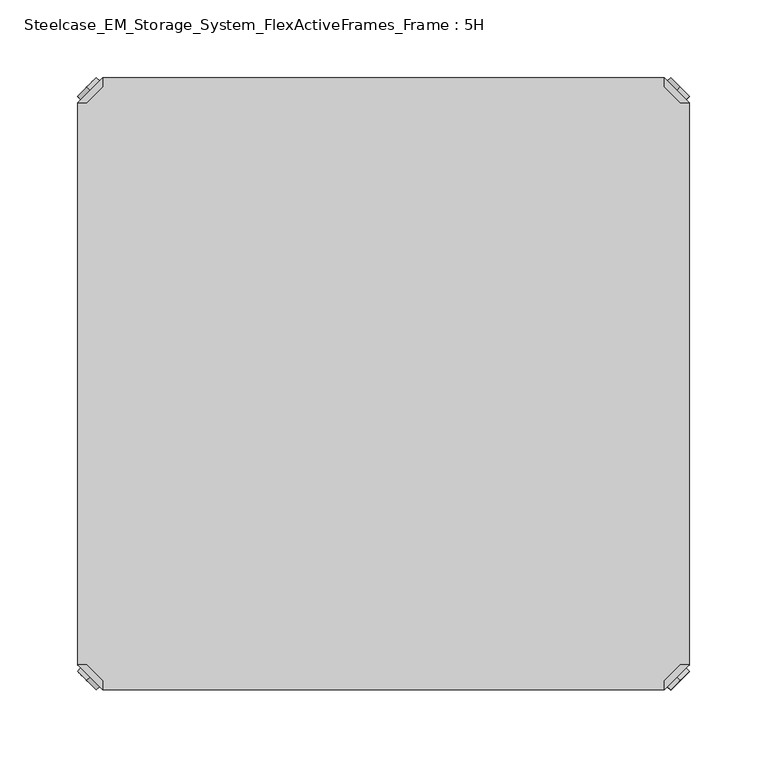
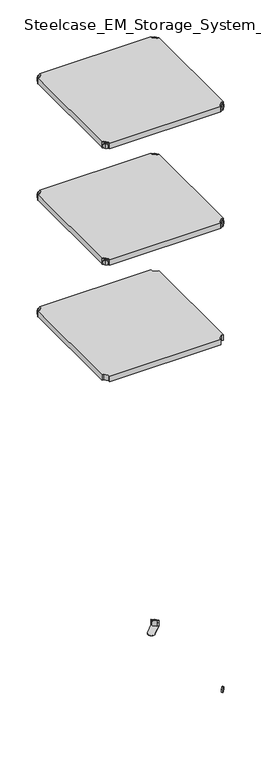
"""IFC4 building model written with IfcOpenShell, lengths in millimetres: furniture geometry, Steelcase_EM_Storage_System_FlexActiveFrames_Frame : 5H."""

from ifc_helpers import new_model, si_unit, frame, origin, place, context, project, spatial, polyline, circle_curve, outline, extrude, source, transform, mapped, element, save
from ifc_brep_helpers import plane_surface, cylinder_surface, advanced_brep


def steelcase_em_storage_system_flexactiveframes_frame_5h_2bd982bd(model_context):
    return source(origin(), model_context, "Body", "SolidModel", [
        advanced_brep(
        [(10.9601551, -10.9601551, 1298.5), (10.9601551, -10.9601551, 1315.5), (10.9601551, -10.9601551, 1307.0), (8.8388348, -8.8388348, 1298.5), (8.8388348, -8.8388348, 1315.5), (8.8388348, -8.8388348, 1307.0)],
        [
            (0, 1, circle_curve(frame((10.9601551, -10.9601551, 1307.0), z_axis=(0.7071067811865464, -0.7071067811865487, 0.0), x_axis=(0.0, 0.0, 1.0)), 8.5)),
            (1, 2),
            (2, 0),
            (1, 0, circle_curve(frame((10.9601551, -10.9601551, 1307.0), z_axis=(0.7071067811865464, -0.7071067811865487, 0.0), x_axis=(0.0, 0.0, 1.0)), 8.5)),
            (3, 4, circle_curve(frame((8.8388348, -8.8388348, 1307.0), z_axis=(0.7071067811865464, -0.7071067811865487, 0.0), x_axis=(0.0, 0.0, 1.0)), 8.5)),
            (4, 1),
            (0, 3),
            (4, 3, circle_curve(frame((8.8388348, -8.8388348, 1307.0), z_axis=(0.7071067811865464, -0.7071067811865487, 0.0), x_axis=(0.0, 0.0, 1.0)), 8.5)),
            (5, 4),
            (3, 5),
        ],
        [
            plane_surface(frame((10.9601551, -10.9601551, 1307.0), z_axis=(0.707106781186546, -0.7071067811865491, 0.0), x_axis=(0.0, 0.0, 1.0))),
            cylinder_surface(frame((8.8388348, -8.8388348, 1307.0), z_axis=(-0.7071067811865464, 0.7071067811865487, 0.0), x_axis=(0.0, 0.0, 1.0)), 8.5),
            plane_surface(frame((8.8388348, -8.8388348, 1307.0), z_axis=(-0.707106781186546, 0.7071067811865491, 0.0), x_axis=(0.0, 0.0, 1.0))),
        ],
        [
            (0, [[1, 2, 3]]),
            (0, [[4, -3, -2]]),
            (1, [[5, 6, -1, 7]]),
            (1, [[8, -7, -4, -6]]),
            (2, [[9, -5, 10]]),
            (2, [[-10, -8, -9]]),
        ],
    ),
        advanced_brep(
        [(18.9203102, -3.0, 1317.0), (3.0, -18.9203102, 1317.0), (8.6568542, -18.9203102, 1317.0), (18.9203102, -8.6568542, 1317.0), (18.9203102, -3.0, 1298.0), (18.9203102, -3.0, 1297.0), (3.0, -18.9203102, 1297.0), (3.0, -18.9203102, 1298.0), (8.6568542, -18.9203102, 1298.0), (18.9203102, -8.6568542, 1298.0), (31.8093975, -47.7297077, 1298.0), (47.7297077, -31.8093975, 1298.0), (47.7297077, -31.8093975, 1297.0), (31.8093975, -47.7297077, 1297.0)],
        [
            (0, 1),
            (1, 2),
            (2, 3),
            (3, 0),
            (0, 4),
            (4, 5),
            (5, 6),
            (6, 7),
            (7, 1),
            (2, 8),
            (8, 9),
            (9, 3),
            (9, 4),
            (7, 8),
            (7, 10),
            (10, 11, circle_curve(frame((39.7695526, -39.7695526, 1298.0), z_axis=(0.0, 0.0, 1.0), x_axis=(1.0, 0.0, 0.0)), 11.2573593)),
            (11, 4),
            (5, 12),
            (12, 13, circle_curve(frame((39.7695526, -39.7695526, 1297.0), z_axis=(0.0, 0.0, -1.0), x_axis=(1.0, 0.0, 0.0)), 11.2573593)),
            (13, 6),
            (13, 10),
            (12, 11),
        ],
        [
            plane_surface(frame((-38.8756299, -60.7959401, 1317.0), z_axis=(0.0, 0.0, 1.0000000000000002), x_axis=(-0.7071067811865557, -0.7071067811865395, 0.0))),
            plane_surface(frame((18.9203102, -3.0, 1317.0), z_axis=(-0.7071067811865395, 0.7071067811865557, 0.0), x_axis=(0.0, 0.0, -1.0))),
            plane_surface(frame((8.6568542, -18.9203102, 1317.0), z_axis=(0.7071067811865481, -0.7071067811865469, 0.0), x_axis=(0.0, 0.0, -1.0))),
            plane_surface(frame((18.9203102, -8.6568542, 1317.0), z_axis=(1.0, 0.0, 0.0), x_axis=(0.0, 0.0, -1.0))),
            plane_surface(frame((3.0, -18.9203102, 1317.0), z_axis=(0.0, -1.0, 0.0), x_axis=(0.0, 0.0, -1.0))),
            plane_surface(frame((3.0, -18.9203102, 1298.0), z_axis=(0.0, 0.0, 1.0), x_axis=(-0.7071067811865485, -0.7071067811865466, 0.0))),
            plane_surface(frame((3.0, -18.9203102, 1297.0), z_axis=(0.0, 0.0, -1.0), x_axis=(0.7071067811865485, 0.7071067811865466, 0.0))),
            plane_surface(frame((3.0, -18.9203102, 1298.0), z_axis=(-0.7071067811865491, -0.707106781186546, 0.0), x_axis=(0.0, 0.0, -1.0))),
            cylinder_surface(frame((39.7695526, -39.7695526, 1297.0), z_axis=(0.0, 0.0, 1.0), x_axis=(1.0, 0.0, 0.0)), 11.2573593),
            plane_surface(frame((47.7297077, -31.8093975, 1298.0), z_axis=(0.707106781186548, 0.7071067811865471, 0.0), x_axis=(0.0, 0.0, -1.0))),
        ],
        [
            (0, [[1, 2, 3, 4]]),
            (1, [[-1, 5, 6, 7, 8, 9]]),
            (2, [[-3, 10, 11, 12]]),
            (3, [[-4, -12, 13, -5]]),
            (4, [[-2, -9, 14, -10]]),
            (5, [[15, 16, 17, -13, -11, -14]]),
            (6, [[18, 19, 20, -7]]),
            (7, [[-15, -8, -20, 21]]),
            (8, [[-16, -21, -19, 22]]),
            (9, [[-17, -22, -18, -6]]),
        ],
    ),
        extrude(outline(polyline([(381.0796898, -3.0), (381.0796898, -8.6568542), (391.3431458, -18.9203102), (397.0, -18.9203102), (397.0, -381.0796898), (391.3431458, -381.0796898), (381.0796898, -391.3431458), (381.0796898, -397.0), (18.9203102, -397.0), (18.9203102, -391.3431458), (8.6568542, -381.0796898), (3.0, -381.0796898), (3.0, -18.9203102), (8.6568542, -18.9203102), (18.9203102, -8.6568542), (18.9203102, -3.0), (381.0796898, -3.0)])), frame((0.0, 0.0, 1298.0), z_axis=(0.0, 0.0, 1.0), x_axis=(1.0, 0.0, 0.0)), (0.0, 0.0, 1.0), 19.0),
        advanced_brep(
        [(389.0398449, -10.9601551, 1698.5), (389.0398449, -10.9601551, 1707.0), (389.0398449, -10.9601551, 1715.5), (391.1611652, -8.8388348, 1698.5), (391.1611652, -8.8388348, 1715.5), (391.1611652, -8.8388348, 1707.0)],
        [
            (0, 1),
            (1, 2),
            (2, 0, circle_curve(frame((389.0398449, -10.9601551, 1707.0), z_axis=(-0.7071067811865556, -0.7071067811865395, 0.0), x_axis=(0.0, 0.0, 1.0)), 8.5)),
            (0, 2, circle_curve(frame((389.0398449, -10.9601551, 1707.0), z_axis=(-0.7071067811865556, -0.7071067811865395, 0.0), x_axis=(0.0, 0.0, 1.0)), 8.5)),
            (3, 0),
            (2, 4),
            (4, 3, circle_curve(frame((391.1611652, -8.8388348, 1707.0), z_axis=(-0.7071067811865556, -0.7071067811865395, 0.0), x_axis=(0.0, 0.0, 1.0)), 8.5)),
            (3, 4, circle_curve(frame((391.1611652, -8.8388348, 1707.0), z_axis=(-0.7071067811865556, -0.7071067811865395, 0.0), x_axis=(0.0, 0.0, 1.0)), 8.5)),
            (5, 3),
            (4, 5),
        ],
        [
            plane_surface(frame((389.0398449, -10.9601551, 1707.0), z_axis=(-0.7071067811865552, -0.7071067811865399, 0.0), x_axis=(0.0, 0.0, 1.0))),
            cylinder_surface(frame((391.1611652, -8.8388348, 1707.0), z_axis=(0.7071067811865556, 0.7071067811865395, 0.0), x_axis=(0.0, 0.0, 1.0)), 8.5),
            plane_surface(frame((391.1611652, -8.8388348, 1707.0), z_axis=(0.7071067811865552, 0.7071067811865399, 0.0), x_axis=(0.0, 0.0, 1.0))),
        ],
        [
            (0, [[1, 2, 3]]),
            (0, [[-2, -1, 4]]),
            (1, [[5, -3, 6, 7]]),
            (1, [[-6, -4, -5, 8]]),
            (2, [[9, -7, 10]]),
            (2, [[-10, -8, -9]]),
        ],
    ),
        advanced_brep(
        [(381.0796898, -3.0, 1717.0), (381.0796898, -8.6568542, 1717.0), (391.3431458, -18.9203102, 1717.0), (397.0, -18.9203102, 1717.0), (397.0, -18.9203102, 1698.0), (397.0, -18.9203102, 1697.0), (381.0796898, -3.0, 1697.0), (381.0796898, -3.0, 1698.0), (381.0796898, -8.6568542, 1698.0), (391.3431458, -18.9203102, 1698.0), (352.2702923, -31.8093975, 1698.0), (368.1906025, -47.7297077, 1698.0), (368.1906025, -47.7297077, 1697.0), (352.2702923, -31.8093975, 1697.0)],
        [
            (0, 1),
            (1, 2),
            (2, 3),
            (3, 0),
            (3, 4),
            (4, 5),
            (5, 6),
            (6, 7),
            (7, 0),
            (1, 8),
            (8, 9),
            (9, 2),
            (7, 8),
            (9, 4),
            (7, 10),
            (10, 11, circle_curve(frame((360.2304474, -39.7695526, 1698.0), z_axis=(0.0, 0.0, 1.0), x_axis=(-1.0, 0.0, 0.0)), 11.2573593)),
            (11, 4),
            (5, 12),
            (12, 13, circle_curve(frame((360.2304474, -39.7695526, 1697.0), z_axis=(0.0, 0.0, -1.0), x_axis=(-1.0, 0.0, 0.0)), 11.2573593)),
            (13, 6),
            (11, 12),
            (10, 13),
        ],
        [
            plane_surface(frame((438.8756299, -60.7959401, 1717.0), z_axis=(0.0, 0.0, 1.0000000000000002), x_axis=(0.7071067811865465, -0.7071067811865487, 0.0))),
            plane_surface(frame((381.0796898, -3.0, 1717.0), z_axis=(0.7071067811865487, 0.7071067811865465, 0.0), x_axis=(0.0, 0.0, -1.0))),
            plane_surface(frame((391.3431458, -18.9203102, 1717.0), z_axis=(-0.7071067811865573, -0.7071067811865377, 0.0), x_axis=(0.0, 0.0, -1.0))),
            plane_surface(frame((381.0796898, -8.6568542, 1717.0), z_axis=(-1.0, 0.0, 0.0), x_axis=(0.0, 0.0, -1.0))),
            plane_surface(frame((397.0, -18.9203102, 1717.0), z_axis=(0.0, -1.0, 0.0), x_axis=(0.0, 0.0, -1.0))),
            plane_surface(frame((397.0, -18.9203102, 1698.0), z_axis=(0.0, 0.0, 1.0), x_axis=(0.7071067811865392, -0.7071067811865558, 0.0))),
            plane_surface(frame((397.0, -18.9203102, 1697.0), z_axis=(0.0, 0.0, -1.0), x_axis=(-0.7071067811865392, 0.7071067811865558, 0.0))),
            plane_surface(frame((397.0, -18.9203102, 1698.0), z_axis=(0.7071067811865399, -0.7071067811865552, 0.0), x_axis=(0.0, 0.0, -1.0))),
            cylinder_surface(frame((360.2304474, -39.7695526, 1697.0), z_axis=(0.0, 0.0, 1.0), x_axis=(-1.0, 0.0, 0.0)), 11.2573593),
            plane_surface(frame((352.2702923, -31.8093975, 1698.0), z_axis=(-0.7071067811865388, 0.7071067811865563, 0.0), x_axis=(0.0, 0.0, -1.0))),
        ],
        [
            (0, [[1, 2, 3, 4]]),
            (1, [[5, 6, 7, 8, 9, -4]]),
            (2, [[10, 11, 12, -2]]),
            (3, [[-9, 13, -10, -1]]),
            (4, [[-12, 14, -5, -3]]),
            (5, [[-14, -11, -13, 15, 16, 17]]),
            (6, [[-7, 18, 19, 20]]),
            (7, [[21, -18, -6, -17]]),
            (8, [[22, -19, -21, -16]]),
            (9, [[-8, -20, -22, -15]]),
        ],
    ),
        advanced_brep(
        [(389.0398449, -389.0398449, 1698.5), (389.0398449, -389.0398449, 1715.5), (389.0398449, -389.0398449, 1707.0), (391.1611652, -391.1611652, 1698.5), (391.1611652, -391.1611652, 1715.5), (391.1611652, -391.1611652, 1707.0)],
        [
            (0, 1, circle_curve(frame((389.0398449, -389.0398449, 1707.0), z_axis=(-0.7071067811865509, 0.7071067811865441, 0.0), x_axis=(0.0, 0.0, 1.0)), 8.5)),
            (1, 2),
            (2, 0),
            (1, 0, circle_curve(frame((389.0398449, -389.0398449, 1707.0), z_axis=(-0.7071067811865509, 0.7071067811865441, 0.0), x_axis=(0.0, 0.0, 1.0)), 8.5)),
            (3, 4, circle_curve(frame((391.1611652, -391.1611652, 1707.0), z_axis=(-0.7071067811865509, 0.7071067811865441, 0.0), x_axis=(0.0, 0.0, 1.0)), 8.5)),
            (4, 1),
            (0, 3),
            (4, 3, circle_curve(frame((391.1611652, -391.1611652, 1707.0), z_axis=(-0.7071067811865509, 0.7071067811865441, 0.0), x_axis=(0.0, 0.0, 1.0)), 8.5)),
            (5, 4),
            (3, 5),
        ],
        [
            plane_surface(frame((389.0398449, -389.0398449, 1707.0), z_axis=(-0.7071067811865506, 0.7071067811865446, 0.0), x_axis=(0.0, 0.0, 1.0))),
            cylinder_surface(frame((391.1611652, -391.1611652, 1707.0), z_axis=(0.7071067811865509, -0.7071067811865441, 0.0), x_axis=(0.0, 0.0, 1.0)), 8.5),
            plane_surface(frame((391.1611652, -391.1611652, 1707.0), z_axis=(0.7071067811865506, -0.7071067811865446, 0.0), x_axis=(0.0, 0.0, 1.0))),
        ],
        [
            (0, [[1, 2, 3]]),
            (0, [[4, -3, -2]]),
            (1, [[5, 6, -1, 7]]),
            (1, [[8, -7, -4, -6]]),
            (2, [[9, -5, 10]]),
            (2, [[-10, -8, -9]]),
        ],
    ),
        advanced_brep(
        [(381.0796898, -397.0, 1717.0), (397.0, -381.0796898, 1717.0), (391.3431458, -381.0796898, 1717.0), (381.0796898, -391.3431458, 1717.0), (381.0796898, -397.0, 1698.0), (381.0796898, -397.0, 1697.0), (397.0, -381.0796898, 1697.0), (397.0, -381.0796898, 1698.0), (391.3431458, -381.0796898, 1698.0), (381.0796898, -391.3431458, 1698.0), (368.1906025, -352.2702923, 1698.0), (352.2702923, -368.1906025, 1698.0), (352.2702923, -368.1906025, 1697.0), (368.1906025, -352.2702923, 1697.0)],
        [
            (0, 1),
            (1, 2),
            (2, 3),
            (3, 0),
            (0, 4),
            (4, 5),
            (5, 6),
            (6, 7),
            (7, 1),
            (2, 8),
            (8, 9),
            (9, 3),
            (9, 4),
            (7, 8),
            (7, 10),
            (10, 11, circle_curve(frame((360.2304474, -360.2304474, 1698.0), z_axis=(0.0, 0.0, 1.0), x_axis=(-1.0, 0.0, 0.0)), 11.2573593)),
            (11, 4),
            (5, 12),
            (12, 13, circle_curve(frame((360.2304474, -360.2304474, 1697.0), z_axis=(0.0, 0.0, -1.0), x_axis=(-1.0, 0.0, 0.0)), 11.2573593)),
            (13, 6),
            (13, 10),
            (12, 11),
        ],
        [
            plane_surface(frame((438.8756299, -339.2040599, 1717.0), z_axis=(0.0, 0.0, 1.0000000000000002), x_axis=(0.7071067811865511, 0.707106781186544, 0.0))),
            plane_surface(frame((381.0796898, -397.0, 1717.0), z_axis=(0.707106781186544, -0.7071067811865511, 0.0), x_axis=(0.0, 0.0, -1.0))),
            plane_surface(frame((391.3431458, -381.0796898, 1717.0), z_axis=(-0.7071067811865527, 0.7071067811865424, 0.0), x_axis=(0.0, 0.0, -1.0))),
            plane_surface(frame((381.0796898, -391.3431458, 1717.0), z_axis=(-1.0, 0.0, 0.0), x_axis=(0.0, 0.0, -1.0))),
            plane_surface(frame((397.0, -381.0796898, 1717.0), z_axis=(0.0, 1.0, 0.0), x_axis=(0.0, 0.0, -1.0))),
            plane_surface(frame((397.0, -381.0796898, 1698.0), z_axis=(0.0, 0.0, 1.0), x_axis=(0.7071067811865439, 0.7071067811865511, 0.0))),
            plane_surface(frame((397.0, -381.0796898, 1697.0), z_axis=(0.0, 0.0, -1.0), x_axis=(-0.7071067811865439, -0.7071067811865511, 0.0))),
            plane_surface(frame((397.0, -381.0796898, 1698.0), z_axis=(0.7071067811865446, 0.7071067811865506, 0.0), x_axis=(0.0, 0.0, -1.0))),
            cylinder_surface(frame((360.2304474, -360.2304474, 1697.0), z_axis=(0.0, 0.0, 1.0), x_axis=(-1.0, 0.0, 0.0)), 11.2573593),
            plane_surface(frame((352.2702923, -368.1906025, 1698.0), z_axis=(-0.7071067811865435, -0.7071067811865517, 0.0), x_axis=(0.0, 0.0, -1.0))),
        ],
        [
            (0, [[1, 2, 3, 4]]),
            (1, [[-1, 5, 6, 7, 8, 9]]),
            (2, [[-3, 10, 11, 12]]),
            (3, [[-4, -12, 13, -5]]),
            (4, [[-2, -9, 14, -10]]),
            (5, [[15, 16, 17, -13, -11, -14]]),
            (6, [[18, 19, 20, -7]]),
            (7, [[-15, -8, -20, 21]]),
            (8, [[-16, -21, -19, 22]]),
            (9, [[-17, -22, -18, -6]]),
        ],
    ),
        advanced_brep(
        [(10.9601551, -389.0398449, 1698.5), (10.9601551, -389.0398449, 1707.0), (10.9601551, -389.0398449, 1715.5), (8.8388348, -391.1611652, 1698.5), (8.8388348, -391.1611652, 1715.5), (8.8388348, -391.1611652, 1707.0)],
        [
            (0, 1),
            (1, 2),
            (2, 0, circle_curve(frame((10.9601551, -389.0398449, 1707.0), z_axis=(0.7071067811865509, 0.7071067811865441, 0.0), x_axis=(0.0, 0.0, 1.0)), 8.5)),
            (0, 2, circle_curve(frame((10.9601551, -389.0398449, 1707.0), z_axis=(0.7071067811865509, 0.7071067811865441, 0.0), x_axis=(0.0, 0.0, 1.0)), 8.5)),
            (3, 0),
            (2, 4),
            (4, 3, circle_curve(frame((8.8388348, -391.1611652, 1707.0), z_axis=(0.7071067811865509, 0.7071067811865441, 0.0), x_axis=(0.0, 0.0, 1.0)), 8.5)),
            (3, 4, circle_curve(frame((8.8388348, -391.1611652, 1707.0), z_axis=(0.7071067811865509, 0.7071067811865441, 0.0), x_axis=(0.0, 0.0, 1.0)), 8.5)),
            (5, 3),
            (4, 5),
        ],
        [
            plane_surface(frame((10.9601551, -389.0398449, 1707.0), z_axis=(0.7071067811865506, 0.7071067811865446, 0.0), x_axis=(0.0, 0.0, 1.0))),
            cylinder_surface(frame((8.8388348, -391.1611652, 1707.0), z_axis=(-0.7071067811865509, -0.7071067811865441, 0.0), x_axis=(0.0, 0.0, 1.0)), 8.5),
            plane_surface(frame((8.8388348, -391.1611652, 1707.0), z_axis=(-0.7071067811865506, -0.7071067811865446, 0.0), x_axis=(0.0, 0.0, 1.0))),
        ],
        [
            (0, [[1, 2, 3]]),
            (0, [[-2, -1, 4]]),
            (1, [[5, -3, 6, 7]]),
            (1, [[-6, -4, -5, 8]]),
            (2, [[9, -7, 10]]),
            (2, [[-10, -8, -9]]),
        ],
    ),
        advanced_brep(
        [(18.9203102, -397.0, 1717.0), (18.9203102, -391.3431458, 1717.0), (8.6568542, -381.0796898, 1717.0), (3.0, -381.0796898, 1717.0), (3.0, -381.0796898, 1698.0), (3.0, -381.0796898, 1697.0), (18.9203102, -397.0, 1697.0), (18.9203102, -397.0, 1698.0), (18.9203102, -391.3431458, 1698.0), (8.6568542, -381.0796898, 1698.0), (47.7297077, -368.1906025, 1698.0), (31.8093975, -352.2702923, 1698.0), (31.8093975, -352.2702923, 1697.0), (47.7297077, -368.1906025, 1697.0)],
        [
            (0, 1),
            (1, 2),
            (2, 3),
            (3, 0),
            (3, 4),
            (4, 5),
            (5, 6),
            (6, 7),
            (7, 0),
            (1, 8),
            (8, 9),
            (9, 2),
            (7, 8),
            (9, 4),
            (7, 10),
            (10, 11, circle_curve(frame((39.7695526, -360.2304474, 1698.0), z_axis=(0.0, 0.0, 1.0), x_axis=(1.0, 0.0, 0.0)), 11.2573593)),
            (11, 4),
            (5, 12),
            (12, 13, circle_curve(frame((39.7695526, -360.2304474, 1697.0), z_axis=(0.0, 0.0, -1.0), x_axis=(1.0, 0.0, 0.0)), 11.2573593)),
            (13, 6),
            (11, 12),
            (10, 13),
        ],
        [
            plane_surface(frame((-38.8756299, -339.2040599, 1717.0), z_axis=(0.0, 0.0, 1.0000000000000002), x_axis=(-0.7071067811865511, 0.707106781186544, 0.0))),
            plane_surface(frame((18.9203102, -397.0, 1717.0), z_axis=(-0.707106781186544, -0.7071067811865511, 0.0), x_axis=(0.0, 0.0, -1.0))),
            plane_surface(frame((8.6568542, -381.0796898, 1717.0), z_axis=(0.7071067811865527, 0.7071067811865424, 0.0), x_axis=(0.0, 0.0, -1.0))),
            plane_surface(frame((18.9203102, -391.3431458, 1717.0), z_axis=(1.0, 0.0, 0.0), x_axis=(0.0, 0.0, -1.0))),
            plane_surface(frame((3.0, -381.0796898, 1717.0), z_axis=(0.0, 1.0, 0.0), x_axis=(0.0, 0.0, -1.0))),
            plane_surface(frame((3.0, -381.0796898, 1698.0), z_axis=(0.0, 0.0, 1.0), x_axis=(-0.7071067811865439, 0.7071067811865511, 0.0))),
            plane_surface(frame((3.0, -381.0796898, 1697.0), z_axis=(0.0, 0.0, -1.0), x_axis=(0.7071067811865439, -0.7071067811865511, 0.0))),
            plane_surface(frame((3.0, -381.0796898, 1698.0), z_axis=(-0.7071067811865446, 0.7071067811865506, 0.0), x_axis=(0.0, 0.0, -1.0))),
            cylinder_surface(frame((39.7695526, -360.2304474, 1697.0), z_axis=(0.0, 0.0, 1.0), x_axis=(1.0, 0.0, 0.0)), 11.2573593),
            plane_surface(frame((47.7297077, -368.1906025, 1698.0), z_axis=(0.7071067811865435, -0.7071067811865517, 0.0), x_axis=(0.0, 0.0, -1.0))),
        ],
        [
            (0, [[1, 2, 3, 4]]),
            (1, [[5, 6, 7, 8, 9, -4]]),
            (2, [[10, 11, 12, -2]]),
            (3, [[-9, 13, -10, -1]]),
            (4, [[-12, 14, -5, -3]]),
            (5, [[-14, -11, -13, 15, 16, 17]]),
            (6, [[-7, 18, 19, 20]]),
            (7, [[21, -18, -6, -17]]),
            (8, [[22, -19, -21, -16]]),
            (9, [[-8, -20, -22, -15]]),
        ],
    ),
        advanced_brep(
        [(10.9601551, -10.9601551, 1698.5), (10.9601551, -10.9601551, 1715.5), (10.9601551, -10.9601551, 1707.0), (8.8388348, -8.8388348, 1698.5), (8.8388348, -8.8388348, 1715.5), (8.8388348, -8.8388348, 1707.0)],
        [
            (0, 1, circle_curve(frame((10.9601551, -10.9601551, 1707.0), z_axis=(0.7071067811865464, -0.7071067811865487, 0.0), x_axis=(0.0, 0.0, 1.0)), 8.5)),
            (1, 2),
            (2, 0),
            (1, 0, circle_curve(frame((10.9601551, -10.9601551, 1707.0), z_axis=(0.7071067811865464, -0.7071067811865487, 0.0), x_axis=(0.0, 0.0, 1.0)), 8.5)),
            (3, 4, circle_curve(frame((8.8388348, -8.8388348, 1707.0), z_axis=(0.7071067811865464, -0.7071067811865487, 0.0), x_axis=(0.0, 0.0, 1.0)), 8.5)),
            (4, 1),
            (0, 3),
            (4, 3, circle_curve(frame((8.8388348, -8.8388348, 1707.0), z_axis=(0.7071067811865464, -0.7071067811865487, 0.0), x_axis=(0.0, 0.0, 1.0)), 8.5)),
            (5, 4),
            (3, 5),
        ],
        [
            plane_surface(frame((10.9601551, -10.9601551, 1707.0), z_axis=(0.707106781186546, -0.7071067811865491, 0.0), x_axis=(0.0, 0.0, 1.0))),
            cylinder_surface(frame((8.8388348, -8.8388348, 1707.0), z_axis=(-0.7071067811865464, 0.7071067811865487, 0.0), x_axis=(0.0, 0.0, 1.0)), 8.5),
            plane_surface(frame((8.8388348, -8.8388348, 1707.0), z_axis=(-0.707106781186546, 0.7071067811865491, 0.0), x_axis=(0.0, 0.0, 1.0))),
        ],
        [
            (0, [[1, 2, 3]]),
            (0, [[4, -3, -2]]),
            (1, [[5, 6, -1, 7]]),
            (1, [[8, -7, -4, -6]]),
            (2, [[9, -5, 10]]),
            (2, [[-10, -8, -9]]),
        ],
    ),
        advanced_brep(
        [(18.9203102, -3.0, 1717.0), (3.0, -18.9203102, 1717.0), (8.6568542, -18.9203102, 1717.0), (18.9203102, -8.6568542, 1717.0), (18.9203102, -3.0, 1698.0), (18.9203102, -3.0, 1697.0), (3.0, -18.9203102, 1697.0), (3.0, -18.9203102, 1698.0), (8.6568542, -18.9203102, 1698.0), (18.9203102, -8.6568542, 1698.0), (31.8093975, -47.7297077, 1698.0), (47.7297077, -31.8093975, 1698.0), (47.7297077, -31.8093975, 1697.0), (31.8093975, -47.7297077, 1697.0)],
        [
            (0, 1),
            (1, 2),
            (2, 3),
            (3, 0),
            (0, 4),
            (4, 5),
            (5, 6),
            (6, 7),
            (7, 1),
            (2, 8),
            (8, 9),
            (9, 3),
            (9, 4),
            (7, 8),
            (7, 10),
            (10, 11, circle_curve(frame((39.7695526, -39.7695526, 1698.0), z_axis=(0.0, 0.0, 1.0), x_axis=(1.0, 0.0, 0.0)), 11.2573593)),
            (11, 4),
            (5, 12),
            (12, 13, circle_curve(frame((39.7695526, -39.7695526, 1697.0), z_axis=(0.0, 0.0, -1.0), x_axis=(1.0, 0.0, 0.0)), 11.2573593)),
            (13, 6),
            (13, 10),
            (12, 11),
        ],
        [
            plane_surface(frame((-38.8756299, -60.7959401, 1717.0), z_axis=(0.0, 0.0, 1.0000000000000002), x_axis=(-0.7071067811865557, -0.7071067811865395, 0.0))),
            plane_surface(frame((18.9203102, -3.0, 1717.0), z_axis=(-0.7071067811865395, 0.7071067811865557, 0.0), x_axis=(0.0, 0.0, -1.0))),
            plane_surface(frame((8.6568542, -18.9203102, 1717.0), z_axis=(0.7071067811865481, -0.7071067811865469, 0.0), x_axis=(0.0, 0.0, -1.0))),
            plane_surface(frame((18.9203102, -8.6568542, 1717.0), z_axis=(1.0, 0.0, 0.0), x_axis=(0.0, 0.0, -1.0))),
            plane_surface(frame((3.0, -18.9203102, 1717.0), z_axis=(0.0, -1.0, 0.0), x_axis=(0.0, 0.0, -1.0))),
            plane_surface(frame((3.0, -18.9203102, 1698.0), z_axis=(0.0, 0.0, 1.0), x_axis=(-0.7071067811865485, -0.7071067811865466, 0.0))),
            plane_surface(frame((3.0, -18.9203102, 1697.0), z_axis=(0.0, 0.0, -1.0), x_axis=(0.7071067811865485, 0.7071067811865466, 0.0))),
            plane_surface(frame((3.0, -18.9203102, 1698.0), z_axis=(-0.7071067811865491, -0.707106781186546, 0.0), x_axis=(0.0, 0.0, -1.0))),
            cylinder_surface(frame((39.7695526, -39.7695526, 1697.0), z_axis=(0.0, 0.0, 1.0), x_axis=(1.0, 0.0, 0.0)), 11.2573593),
            plane_surface(frame((47.7297077, -31.8093975, 1698.0), z_axis=(0.707106781186548, 0.7071067811865471, 0.0), x_axis=(0.0, 0.0, -1.0))),
        ],
        [
            (0, [[1, 2, 3, 4]]),
            (1, [[-1, 5, 6, 7, 8, 9]]),
            (2, [[-3, 10, 11, 12]]),
            (3, [[-4, -12, 13, -5]]),
            (4, [[-2, -9, 14, -10]]),
            (5, [[15, 16, 17, -13, -11, -14]]),
            (6, [[18, 19, 20, -7]]),
            (7, [[-15, -8, -20, 21]]),
            (8, [[-16, -21, -19, 22]]),
            (9, [[-17, -22, -18, -6]]),
        ],
    ),
        extrude(outline(polyline([(381.0796898, -3.0), (381.0796898, -8.6568542), (391.3431458, -18.9203102), (397.0, -18.9203102), (397.0, -381.0796898), (391.3431458, -381.0796898), (381.0796898, -391.3431458), (381.0796898, -397.0), (18.9203102, -397.0), (18.9203102, -391.3431458), (8.6568542, -381.0796898), (3.0, -381.0796898), (3.0, -18.9203102), (8.6568542, -18.9203102), (18.9203102, -8.6568542), (18.9203102, -3.0), (381.0796898, -3.0)])), frame((0.0, 0.0, 1698.0), z_axis=(0.0, 0.0, 1.0), x_axis=(1.0, 0.0, 0.0)), (0.0, 0.0, 1.0), 19.0),
        advanced_brep(
        [(389.0398449, -10.9601551, 2098.5), (389.0398449, -10.9601551, 2107.0), (389.0398449, -10.9601551, 2115.5), (391.1611652, -8.8388348, 2098.5), (391.1611652, -8.8388348, 2115.5), (391.1611652, -8.8388348, 2107.0)],
        [
            (0, 1),
            (1, 2),
            (2, 0, circle_curve(frame((389.0398449, -10.9601551, 2107.0), z_axis=(-0.7071067811865556, -0.7071067811865395, 0.0), x_axis=(0.0, 0.0, 1.0)), 8.5)),
            (0, 2, circle_curve(frame((389.0398449, -10.9601551, 2107.0), z_axis=(-0.7071067811865556, -0.7071067811865395, 0.0), x_axis=(0.0, 0.0, 1.0)), 8.5)),
            (3, 0),
            (2, 4),
            (4, 3, circle_curve(frame((391.1611652, -8.8388348, 2107.0), z_axis=(-0.7071067811865556, -0.7071067811865395, 0.0), x_axis=(0.0, 0.0, 1.0)), 8.5)),
            (3, 4, circle_curve(frame((391.1611652, -8.8388348, 2107.0), z_axis=(-0.7071067811865556, -0.7071067811865395, 0.0), x_axis=(0.0, 0.0, 1.0)), 8.5)),
            (5, 3),
            (4, 5),
        ],
        [
            plane_surface(frame((389.0398449, -10.9601551, 2107.0), z_axis=(-0.7071067811865552, -0.7071067811865399, 0.0), x_axis=(0.0, 0.0, 1.0))),
            cylinder_surface(frame((391.1611652, -8.8388348, 2107.0), z_axis=(0.7071067811865556, 0.7071067811865395, 0.0), x_axis=(0.0, 0.0, 1.0)), 8.5),
            plane_surface(frame((391.1611652, -8.8388348, 2107.0), z_axis=(0.7071067811865552, 0.7071067811865399, 0.0), x_axis=(0.0, 0.0, 1.0))),
        ],
        [
            (0, [[1, 2, 3]]),
            (0, [[-2, -1, 4]]),
            (1, [[5, -3, 6, 7]]),
            (1, [[-6, -4, -5, 8]]),
            (2, [[9, -7, 10]]),
            (2, [[-10, -8, -9]]),
        ],
    ),
        advanced_brep(
        [(381.0796898, -3.0, 2117.0), (381.0796898, -8.6568542, 2117.0), (391.3431458, -18.9203102, 2117.0), (397.0, -18.9203102, 2117.0), (397.0, -18.9203102, 2098.0), (397.0, -18.9203102, 2097.0), (381.0796898, -3.0, 2097.0), (381.0796898, -3.0, 2098.0), (381.0796898, -8.6568542, 2098.0), (391.3431458, -18.9203102, 2098.0), (352.2702923, -31.8093975, 2098.0), (368.1906025, -47.7297077, 2098.0), (368.1906025, -47.7297077, 2097.0), (352.2702923, -31.8093975, 2097.0)],
        [
            (0, 1),
            (1, 2),
            (2, 3),
            (3, 0),
            (3, 4),
            (4, 5),
            (5, 6),
            (6, 7),
            (7, 0),
            (1, 8),
            (8, 9),
            (9, 2),
            (7, 8),
            (9, 4),
            (7, 10),
            (10, 11, circle_curve(frame((360.2304474, -39.7695526, 2098.0), z_axis=(0.0, 0.0, 1.0), x_axis=(-1.0, 0.0, 0.0)), 11.2573593)),
            (11, 4),
            (5, 12),
            (12, 13, circle_curve(frame((360.2304474, -39.7695526, 2097.0), z_axis=(0.0, 0.0, -1.0), x_axis=(-1.0, 0.0, 0.0)), 11.2573593)),
            (13, 6),
            (11, 12),
            (10, 13),
        ],
        [
            plane_surface(frame((438.8756299, -60.7959401, 2117.0), z_axis=(0.0, 0.0, 1.0000000000000002), x_axis=(0.7071067811865465, -0.7071067811865487, 0.0))),
            plane_surface(frame((381.0796898, -3.0, 2117.0), z_axis=(0.7071067811865487, 0.7071067811865465, 0.0), x_axis=(0.0, 0.0, -1.0))),
            plane_surface(frame((391.3431458, -18.9203102, 2117.0), z_axis=(-0.7071067811865573, -0.7071067811865377, 0.0), x_axis=(0.0, 0.0, -1.0))),
            plane_surface(frame((381.0796898, -8.6568542, 2117.0), z_axis=(-1.0, 0.0, 0.0), x_axis=(0.0, 0.0, -1.0))),
            plane_surface(frame((397.0, -18.9203102, 2117.0), z_axis=(0.0, -1.0, 0.0), x_axis=(0.0, 0.0, -1.0))),
            plane_surface(frame((397.0, -18.9203102, 2098.0), z_axis=(0.0, 0.0, 1.0), x_axis=(0.7071067811865392, -0.7071067811865558, 0.0))),
            plane_surface(frame((397.0, -18.9203102, 2097.0), z_axis=(0.0, 0.0, -1.0), x_axis=(-0.7071067811865392, 0.7071067811865558, 0.0))),
            plane_surface(frame((397.0, -18.9203102, 2098.0), z_axis=(0.7071067811865399, -0.7071067811865552, 0.0), x_axis=(0.0, 0.0, -1.0))),
            cylinder_surface(frame((360.2304474, -39.7695526, 2097.0), z_axis=(0.0, 0.0, 1.0), x_axis=(-1.0, 0.0, 0.0)), 11.2573593),
            plane_surface(frame((352.2702923, -31.8093975, 2098.0), z_axis=(-0.7071067811865388, 0.7071067811865563, 0.0), x_axis=(0.0, 0.0, -1.0))),
        ],
        [
            (0, [[1, 2, 3, 4]]),
            (1, [[5, 6, 7, 8, 9, -4]]),
            (2, [[10, 11, 12, -2]]),
            (3, [[-9, 13, -10, -1]]),
            (4, [[-12, 14, -5, -3]]),
            (5, [[-14, -11, -13, 15, 16, 17]]),
            (6, [[-7, 18, 19, 20]]),
            (7, [[21, -18, -6, -17]]),
            (8, [[22, -19, -21, -16]]),
            (9, [[-8, -20, -22, -15]]),
        ],
    ),
        advanced_brep(
        [(389.0398449, -389.0398449, 2098.5), (389.0398449, -389.0398449, 2115.5), (389.0398449, -389.0398449, 2107.0), (391.1611652, -391.1611652, 2098.5), (391.1611652, -391.1611652, 2115.5), (391.1611652, -391.1611652, 2107.0)],
        [
            (0, 1, circle_curve(frame((389.0398449, -389.0398449, 2107.0), z_axis=(-0.7071067811865509, 0.7071067811865441, 0.0), x_axis=(0.0, 0.0, 1.0)), 8.5)),
            (1, 2),
            (2, 0),
            (1, 0, circle_curve(frame((389.0398449, -389.0398449, 2107.0), z_axis=(-0.7071067811865509, 0.7071067811865441, 0.0), x_axis=(0.0, 0.0, 1.0)), 8.5)),
            (3, 4, circle_curve(frame((391.1611652, -391.1611652, 2107.0), z_axis=(-0.7071067811865509, 0.7071067811865441, 0.0), x_axis=(0.0, 0.0, 1.0)), 8.5)),
            (4, 1),
            (0, 3),
            (4, 3, circle_curve(frame((391.1611652, -391.1611652, 2107.0), z_axis=(-0.7071067811865509, 0.7071067811865441, 0.0), x_axis=(0.0, 0.0, 1.0)), 8.5)),
            (5, 4),
            (3, 5),
        ],
        [
            plane_surface(frame((389.0398449, -389.0398449, 2107.0), z_axis=(-0.7071067811865506, 0.7071067811865446, 0.0), x_axis=(0.0, 0.0, 1.0))),
            cylinder_surface(frame((391.1611652, -391.1611652, 2107.0), z_axis=(0.7071067811865509, -0.7071067811865441, 0.0), x_axis=(0.0, 0.0, 1.0)), 8.5),
            plane_surface(frame((391.1611652, -391.1611652, 2107.0), z_axis=(0.7071067811865506, -0.7071067811865446, 0.0), x_axis=(0.0, 0.0, 1.0))),
        ],
        [
            (0, [[1, 2, 3]]),
            (0, [[4, -3, -2]]),
            (1, [[5, 6, -1, 7]]),
            (1, [[8, -7, -4, -6]]),
            (2, [[9, -5, 10]]),
            (2, [[-10, -8, -9]]),
        ],
    ),
        advanced_brep(
        [(381.0796898, -397.0, 2117.0), (397.0, -381.0796898, 2117.0), (391.3431458, -381.0796898, 2117.0), (381.0796898, -391.3431458, 2117.0), (381.0796898, -397.0, 2098.0), (381.0796898, -397.0, 2097.0), (397.0, -381.0796898, 2097.0), (397.0, -381.0796898, 2098.0), (391.3431458, -381.0796898, 2098.0), (381.0796898, -391.3431458, 2098.0), (368.1906025, -352.2702923, 2098.0), (352.2702923, -368.1906025, 2098.0), (352.2702923, -368.1906025, 2097.0), (368.1906025, -352.2702923, 2097.0)],
        [
            (0, 1),
            (1, 2),
            (2, 3),
            (3, 0),
            (0, 4),
            (4, 5),
            (5, 6),
            (6, 7),
            (7, 1),
            (2, 8),
            (8, 9),
            (9, 3),
            (9, 4),
            (7, 8),
            (7, 10),
            (10, 11, circle_curve(frame((360.2304474, -360.2304474, 2098.0), z_axis=(0.0, 0.0, 1.0), x_axis=(-1.0, 0.0, 0.0)), 11.2573593)),
            (11, 4),
            (5, 12),
            (12, 13, circle_curve(frame((360.2304474, -360.2304474, 2097.0), z_axis=(0.0, 0.0, -1.0), x_axis=(-1.0, 0.0, 0.0)), 11.2573593)),
            (13, 6),
            (13, 10),
            (12, 11),
        ],
        [
            plane_surface(frame((438.8756299, -339.2040599, 2117.0), z_axis=(0.0, 0.0, 1.0000000000000002), x_axis=(0.7071067811865511, 0.707106781186544, 0.0))),
            plane_surface(frame((381.0796898, -397.0, 2117.0), z_axis=(0.707106781186544, -0.7071067811865511, 0.0), x_axis=(0.0, 0.0, -1.0))),
            plane_surface(frame((391.3431458, -381.0796898, 2117.0), z_axis=(-0.7071067811865527, 0.7071067811865424, 0.0), x_axis=(0.0, 0.0, -1.0))),
            plane_surface(frame((381.0796898, -391.3431458, 2117.0), z_axis=(-1.0, 0.0, 0.0), x_axis=(0.0, 0.0, -1.0))),
            plane_surface(frame((397.0, -381.0796898, 2117.0), z_axis=(0.0, 1.0, 0.0), x_axis=(0.0, 0.0, -1.0))),
            plane_surface(frame((397.0, -381.0796898, 2098.0), z_axis=(0.0, 0.0, 1.0), x_axis=(0.7071067811865439, 0.7071067811865511, 0.0))),
            plane_surface(frame((397.0, -381.0796898, 2097.0), z_axis=(0.0, 0.0, -1.0), x_axis=(-0.7071067811865439, -0.7071067811865511, 0.0))),
            plane_surface(frame((397.0, -381.0796898, 2098.0), z_axis=(0.7071067811865446, 0.7071067811865506, 0.0), x_axis=(0.0, 0.0, -1.0))),
            cylinder_surface(frame((360.2304474, -360.2304474, 2097.0), z_axis=(0.0, 0.0, 1.0), x_axis=(-1.0, 0.0, 0.0)), 11.2573593),
            plane_surface(frame((352.2702923, -368.1906025, 2098.0), z_axis=(-0.7071067811865435, -0.7071067811865517, 0.0), x_axis=(0.0, 0.0, -1.0))),
        ],
        [
            (0, [[1, 2, 3, 4]]),
            (1, [[-1, 5, 6, 7, 8, 9]]),
            (2, [[-3, 10, 11, 12]]),
            (3, [[-4, -12, 13, -5]]),
            (4, [[-2, -9, 14, -10]]),
            (5, [[15, 16, 17, -13, -11, -14]]),
            (6, [[18, 19, 20, -7]]),
            (7, [[-15, -8, -20, 21]]),
            (8, [[-16, -21, -19, 22]]),
            (9, [[-17, -22, -18, -6]]),
        ],
    ),
        advanced_brep(
        [(10.9601551, -389.0398449, 2098.5), (10.9601551, -389.0398449, 2107.0), (10.9601551, -389.0398449, 2115.5), (8.8388348, -391.1611652, 2098.5), (8.8388348, -391.1611652, 2115.5), (8.8388348, -391.1611652, 2107.0)],
        [
            (0, 1),
            (1, 2),
            (2, 0, circle_curve(frame((10.9601551, -389.0398449, 2107.0), z_axis=(0.7071067811865509, 0.7071067811865441, 0.0), x_axis=(0.0, 0.0, 1.0)), 8.5)),
            (0, 2, circle_curve(frame((10.9601551, -389.0398449, 2107.0), z_axis=(0.7071067811865509, 0.7071067811865441, 0.0), x_axis=(0.0, 0.0, 1.0)), 8.5)),
            (3, 0),
            (2, 4),
            (4, 3, circle_curve(frame((8.8388348, -391.1611652, 2107.0), z_axis=(0.7071067811865509, 0.7071067811865441, 0.0), x_axis=(0.0, 0.0, 1.0)), 8.5)),
            (3, 4, circle_curve(frame((8.8388348, -391.1611652, 2107.0), z_axis=(0.7071067811865509, 0.7071067811865441, 0.0), x_axis=(0.0, 0.0, 1.0)), 8.5)),
            (5, 3),
            (4, 5),
        ],
        [
            plane_surface(frame((10.9601551, -389.0398449, 2107.0), z_axis=(0.7071067811865506, 0.7071067811865446, 0.0), x_axis=(0.0, 0.0, 1.0))),
            cylinder_surface(frame((8.8388348, -391.1611652, 2107.0), z_axis=(-0.7071067811865509, -0.7071067811865441, 0.0), x_axis=(0.0, 0.0, 1.0)), 8.5),
            plane_surface(frame((8.8388348, -391.1611652, 2107.0), z_axis=(-0.7071067811865506, -0.7071067811865446, 0.0), x_axis=(0.0, 0.0, 1.0))),
        ],
        [
            (0, [[1, 2, 3]]),
            (0, [[-2, -1, 4]]),
            (1, [[5, -3, 6, 7]]),
            (1, [[-6, -4, -5, 8]]),
            (2, [[9, -7, 10]]),
            (2, [[-10, -8, -9]]),
        ],
    ),
        advanced_brep(
        [(18.9203102, -397.0, 2117.0), (18.9203102, -391.3431458, 2117.0), (8.6568542, -381.0796898, 2117.0), (3.0, -381.0796898, 2117.0), (3.0, -381.0796898, 2098.0), (3.0, -381.0796898, 2097.0), (18.9203102, -397.0, 2097.0), (18.9203102, -397.0, 2098.0), (18.9203102, -391.3431458, 2098.0), (8.6568542, -381.0796898, 2098.0), (47.7297077, -368.1906025, 2098.0), (31.8093975, -352.2702923, 2098.0), (31.8093975, -352.2702923, 2097.0), (47.7297077, -368.1906025, 2097.0)],
        [
            (0, 1),
            (1, 2),
            (2, 3),
            (3, 0),
            (3, 4),
            (4, 5),
            (5, 6),
            (6, 7),
            (7, 0),
            (1, 8),
            (8, 9),
            (9, 2),
            (7, 8),
            (9, 4),
            (7, 10),
            (10, 11, circle_curve(frame((39.7695526, -360.2304474, 2098.0), z_axis=(0.0, 0.0, 1.0), x_axis=(1.0, 0.0, 0.0)), 11.2573593)),
            (11, 4),
            (5, 12),
            (12, 13, circle_curve(frame((39.7695526, -360.2304474, 2097.0), z_axis=(0.0, 0.0, -1.0), x_axis=(1.0, 0.0, 0.0)), 11.2573593)),
            (13, 6),
            (11, 12),
            (10, 13),
        ],
        [
            plane_surface(frame((-38.8756299, -339.2040599, 2117.0), z_axis=(0.0, 0.0, 1.0000000000000002), x_axis=(-0.7071067811865511, 0.707106781186544, 0.0))),
            plane_surface(frame((18.9203102, -397.0, 2117.0), z_axis=(-0.707106781186544, -0.7071067811865511, 0.0), x_axis=(0.0, 0.0, -1.0))),
            plane_surface(frame((8.6568542, -381.0796898, 2117.0), z_axis=(0.7071067811865527, 0.7071067811865424, 0.0), x_axis=(0.0, 0.0, -1.0))),
            plane_surface(frame((18.9203102, -391.3431458, 2117.0), z_axis=(1.0, 0.0, 0.0), x_axis=(0.0, 0.0, -1.0))),
            plane_surface(frame((3.0, -381.0796898, 2117.0), z_axis=(0.0, 1.0, 0.0), x_axis=(0.0, 0.0, -1.0))),
            plane_surface(frame((3.0, -381.0796898, 2098.0), z_axis=(0.0, 0.0, 1.0), x_axis=(-0.7071067811865439, 0.7071067811865511, 0.0))),
            plane_surface(frame((3.0, -381.0796898, 2097.0), z_axis=(0.0, 0.0, -1.0), x_axis=(0.7071067811865439, -0.7071067811865511, 0.0))),
            plane_surface(frame((3.0, -381.0796898, 2098.0), z_axis=(-0.7071067811865446, 0.7071067811865506, 0.0), x_axis=(0.0, 0.0, -1.0))),
            cylinder_surface(frame((39.7695526, -360.2304474, 2097.0), z_axis=(0.0, 0.0, 1.0), x_axis=(1.0, 0.0, 0.0)), 11.2573593),
            plane_surface(frame((47.7297077, -368.1906025, 2098.0), z_axis=(0.7071067811865435, -0.7071067811865517, 0.0), x_axis=(0.0, 0.0, -1.0))),
        ],
        [
            (0, [[1, 2, 3, 4]]),
            (1, [[5, 6, 7, 8, 9, -4]]),
            (2, [[10, 11, 12, -2]]),
            (3, [[-9, 13, -10, -1]]),
            (4, [[-12, 14, -5, -3]]),
            (5, [[-14, -11, -13, 15, 16, 17]]),
            (6, [[-7, 18, 19, 20]]),
            (7, [[21, -18, -6, -17]]),
            (8, [[22, -19, -21, -16]]),
            (9, [[-8, -20, -22, -15]]),
        ],
    ),
        advanced_brep(
        [(10.9601551, -10.9601551, 2098.5), (10.9601551, -10.9601551, 2115.5), (10.9601551, -10.9601551, 2107.0), (8.8388348, -8.8388348, 2098.5), (8.8388348, -8.8388348, 2115.5), (8.8388348, -8.8388348, 2107.0)],
        [
            (0, 1, circle_curve(frame((10.9601551, -10.9601551, 2107.0), z_axis=(0.7071067811865464, -0.7071067811865487, 0.0), x_axis=(0.0, 0.0, 1.0)), 8.5)),
            (1, 2),
            (2, 0),
            (1, 0, circle_curve(frame((10.9601551, -10.9601551, 2107.0), z_axis=(0.7071067811865464, -0.7071067811865487, 0.0), x_axis=(0.0, 0.0, 1.0)), 8.5)),
            (3, 4, circle_curve(frame((8.8388348, -8.8388348, 2107.0), z_axis=(0.7071067811865464, -0.7071067811865487, 0.0), x_axis=(0.0, 0.0, 1.0)), 8.5)),
            (4, 1),
            (0, 3),
            (4, 3, circle_curve(frame((8.8388348, -8.8388348, 2107.0), z_axis=(0.7071067811865464, -0.7071067811865487, 0.0), x_axis=(0.0, 0.0, 1.0)), 8.5)),
            (5, 4),
            (3, 5),
        ],
        [
            plane_surface(frame((10.9601551, -10.9601551, 2107.0), z_axis=(0.707106781186546, -0.7071067811865491, 0.0), x_axis=(0.0, 0.0, 1.0))),
            cylinder_surface(frame((8.8388348, -8.8388348, 2107.0), z_axis=(-0.7071067811865464, 0.7071067811865487, 0.0), x_axis=(0.0, 0.0, 1.0)), 8.5),
            plane_surface(frame((8.8388348, -8.8388348, 2107.0), z_axis=(-0.707106781186546, 0.7071067811865491, 0.0), x_axis=(0.0, 0.0, 1.0))),
        ],
        [
            (0, [[1, 2, 3]]),
            (0, [[4, -3, -2]]),
            (1, [[5, 6, -1, 7]]),
            (1, [[8, -7, -4, -6]]),
            (2, [[9, -5, 10]]),
            (2, [[-10, -8, -9]]),
        ],
    ),
        advanced_brep(
        [(18.9203102, -3.0, 2117.0), (3.0, -18.9203102, 2117.0), (8.6568542, -18.9203102, 2117.0), (18.9203102, -8.6568542, 2117.0), (18.9203102, -3.0, 2098.0), (18.9203102, -3.0, 2097.0), (3.0, -18.9203102, 2097.0), (3.0, -18.9203102, 2098.0), (8.6568542, -18.9203102, 2098.0), (18.9203102, -8.6568542, 2098.0), (31.8093975, -47.7297077, 2098.0), (47.7297077, -31.8093975, 2098.0), (47.7297077, -31.8093975, 2097.0), (31.8093975, -47.7297077, 2097.0)],
        [
            (0, 1),
            (1, 2),
            (2, 3),
            (3, 0),
            (0, 4),
            (4, 5),
            (5, 6),
            (6, 7),
            (7, 1),
            (2, 8),
            (8, 9),
            (9, 3),
            (9, 4),
            (7, 8),
            (7, 10),
            (10, 11, circle_curve(frame((39.7695526, -39.7695526, 2098.0), z_axis=(0.0, 0.0, 1.0), x_axis=(1.0, 0.0, 0.0)), 11.2573593)),
            (11, 4),
            (5, 12),
            (12, 13, circle_curve(frame((39.7695526, -39.7695526, 2097.0), z_axis=(0.0, 0.0, -1.0), x_axis=(1.0, 0.0, 0.0)), 11.2573593)),
            (13, 6),
            (13, 10),
            (12, 11),
        ],
        [
            plane_surface(frame((-38.8756299, -60.7959401, 2117.0), z_axis=(0.0, 0.0, 1.0000000000000002), x_axis=(-0.7071067811865557, -0.7071067811865395, 0.0))),
            plane_surface(frame((18.9203102, -3.0, 2117.0), z_axis=(-0.7071067811865395, 0.7071067811865557, 0.0), x_axis=(0.0, 0.0, -1.0))),
            plane_surface(frame((8.6568542, -18.9203102, 2117.0), z_axis=(0.7071067811865481, -0.7071067811865469, 0.0), x_axis=(0.0, 0.0, -1.0))),
            plane_surface(frame((18.9203102, -8.6568542, 2117.0), z_axis=(1.0, 0.0, 0.0), x_axis=(0.0, 0.0, -1.0))),
            plane_surface(frame((3.0, -18.9203102, 2117.0), z_axis=(0.0, -1.0, 0.0), x_axis=(0.0, 0.0, -1.0))),
            plane_surface(frame((3.0, -18.9203102, 2098.0), z_axis=(0.0, 0.0, 1.0), x_axis=(-0.7071067811865485, -0.7071067811865466, 0.0))),
            plane_surface(frame((3.0, -18.9203102, 2097.0), z_axis=(0.0, 0.0, -1.0), x_axis=(0.7071067811865485, 0.7071067811865466, 0.0))),
            plane_surface(frame((3.0, -18.9203102, 2098.0), z_axis=(-0.7071067811865491, -0.707106781186546, 0.0), x_axis=(0.0, 0.0, -1.0))),
            cylinder_surface(frame((39.7695526, -39.7695526, 2097.0), z_axis=(0.0, 0.0, 1.0), x_axis=(1.0, 0.0, 0.0)), 11.2573593),
            plane_surface(frame((47.7297077, -31.8093975, 2098.0), z_axis=(0.707106781186548, 0.7071067811865471, 0.0), x_axis=(0.0, 0.0, -1.0))),
        ],
        [
            (0, [[1, 2, 3, 4]]),
            (1, [[-1, 5, 6, 7, 8, 9]]),
            (2, [[-3, 10, 11, 12]]),
            (3, [[-4, -12, 13, -5]]),
            (4, [[-2, -9, 14, -10]]),
            (5, [[15, 16, 17, -13, -11, -14]]),
            (6, [[18, 19, 20, -7]]),
            (7, [[-15, -8, -20, 21]]),
            (8, [[-16, -21, -19, 22]]),
            (9, [[-17, -22, -18, -6]]),
        ],
    ),
        extrude(outline(polyline([(381.0796898, -3.0), (381.0796898, -8.6568542), (391.3431458, -18.9203102), (397.0, -18.9203102), (397.0, -381.0796898), (391.3431458, -381.0796898), (381.0796898, -391.3431458), (381.0796898, -397.0), (18.9203102, -397.0), (18.9203102, -391.3431458), (8.6568542, -381.0796898), (3.0, -381.0796898), (3.0, -18.9203102), (8.6568542, -18.9203102), (18.9203102, -8.6568542), (18.9203102, -3.0), (381.0796898, -3.0)])), frame((0.0, 0.0, 2098.0), z_axis=(0.0, 0.0, 1.0), x_axis=(1.0, 0.0, 0.0)), (0.0, 0.0, 1.0), 19.0),
        advanced_brep(
        [(389.0398449, -10.9601551, 98.5), (389.0398449, -10.9601551, 107.0), (389.0398449, -10.9601551, 115.5), (391.1611652, -8.8388348, 98.5), (391.1611652, -8.8388348, 115.5), (391.1611652, -8.8388348, 107.0)],
        [
            (0, 1),
            (1, 2),
            (2, 0, circle_curve(frame((389.0398449, -10.9601551, 107.0), z_axis=(-0.7071067811865556, -0.7071067811865395, 0.0), x_axis=(0.0, 0.0, 1.0)), 8.5)),
            (0, 2, circle_curve(frame((389.0398449, -10.9601551, 107.0), z_axis=(-0.7071067811865556, -0.7071067811865395, 0.0), x_axis=(0.0, 0.0, 1.0)), 8.5)),
            (3, 0),
            (2, 4),
            (4, 3, circle_curve(frame((391.1611652, -8.8388348, 107.0), z_axis=(-0.7071067811865556, -0.7071067811865395, 0.0), x_axis=(0.0, 0.0, 1.0)), 8.5)),
            (3, 4, circle_curve(frame((391.1611652, -8.8388348, 107.0), z_axis=(-0.7071067811865556, -0.7071067811865395, 0.0), x_axis=(0.0, 0.0, 1.0)), 8.5)),
            (5, 3),
            (4, 5),
        ],
        [
            plane_surface(frame((389.0398449, -10.9601551, 107.0), z_axis=(-0.7071067811865552, -0.7071067811865399, 0.0), x_axis=(0.0, 0.0, 1.0))),
            cylinder_surface(frame((391.1611652, -8.8388348, 107.0), z_axis=(0.7071067811865556, 0.7071067811865395, 0.0), x_axis=(0.0, 0.0, 1.0)), 8.5),
            plane_surface(frame((391.1611652, -8.8388348, 107.0), z_axis=(0.7071067811865552, 0.7071067811865399, 0.0), x_axis=(0.0, 0.0, 1.0))),
        ],
        [
            (0, [[1, 2, 3]]),
            (0, [[-2, -1, 4]]),
            (1, [[5, -3, 6, 7]]),
            (1, [[-6, -4, -5, 8]]),
            (2, [[9, -7, 10]]),
            (2, [[-10, -8, -9]]),
        ],
    ),
        advanced_brep(
        [(381.0796898, -3.0, 117.0), (381.0796898, -8.6568542, 117.0), (391.3431458, -18.9203102, 117.0), (397.0, -18.9203102, 117.0), (397.0, -18.9203102, 98.0), (397.0, -18.9203102, 97.0), (381.0796898, -3.0, 97.0), (381.0796898, -3.0, 98.0), (381.0796898, -8.6568542, 98.0), (391.3431458, -18.9203102, 98.0), (352.2702923, -31.8093975, 98.0), (368.1906025, -47.7297077, 98.0), (368.1906025, -47.7297077, 97.0), (352.2702923, -31.8093975, 97.0)],
        [
            (0, 1),
            (1, 2),
            (2, 3),
            (3, 0),
            (3, 4),
            (4, 5),
            (5, 6),
            (6, 7),
            (7, 0),
            (1, 8),
            (8, 9),
            (9, 2),
            (7, 8),
            (9, 4),
            (7, 10),
            (10, 11, circle_curve(frame((360.2304474, -39.7695526, 98.0), z_axis=(0.0, 0.0, 1.0), x_axis=(-1.0, 0.0, 0.0)), 11.2573593)),
            (11, 4),
            (5, 12),
            (12, 13, circle_curve(frame((360.2304474, -39.7695526, 97.0), z_axis=(0.0, 0.0, -1.0), x_axis=(-1.0, 0.0, 0.0)), 11.2573593)),
            (13, 6),
            (11, 12),
            (10, 13),
        ],
        [
            plane_surface(frame((438.8756299, -60.7959401, 117.0), z_axis=(0.0, 0.0, 1.0000000000000002), x_axis=(0.7071067811865465, -0.7071067811865487, 0.0))),
            plane_surface(frame((381.0796898, -3.0, 117.0), z_axis=(0.7071067811865487, 0.7071067811865465, 0.0), x_axis=(0.0, 0.0, -1.0))),
            plane_surface(frame((391.3431458, -18.9203102, 117.0), z_axis=(-0.7071067811865573, -0.7071067811865377, 0.0), x_axis=(0.0, 0.0, -1.0))),
            plane_surface(frame((381.0796898, -8.6568542, 117.0), z_axis=(-1.0, 0.0, 0.0), x_axis=(0.0, 0.0, -1.0))),
            plane_surface(frame((397.0, -18.9203102, 117.0), z_axis=(0.0, -1.0, 0.0), x_axis=(0.0, 0.0, -1.0))),
            plane_surface(frame((397.0, -18.9203102, 98.0), z_axis=(0.0, 0.0, 1.0), x_axis=(0.7071067811865392, -0.7071067811865558, 0.0))),
            plane_surface(frame((397.0, -18.9203102, 97.0), z_axis=(0.0, 0.0, -1.0), x_axis=(-0.7071067811865392, 0.7071067811865558, 0.0))),
            plane_surface(frame((397.0, -18.9203102, 98.0), z_axis=(0.7071067811865399, -0.7071067811865552, 0.0), x_axis=(0.0, 0.0, -1.0))),
            cylinder_surface(frame((360.2304474, -39.7695526, 97.0), z_axis=(0.0, 0.0, 1.0), x_axis=(-1.0, 0.0, 0.0)), 11.2573593),
            plane_surface(frame((352.2702923, -31.8093975, 98.0), z_axis=(-0.7071067811865388, 0.7071067811865563, 0.0), x_axis=(0.0, 0.0, -1.0))),
        ],
        [
            (0, [[1, 2, 3, 4]]),
            (1, [[5, 6, 7, 8, 9, -4]]),
            (2, [[10, 11, 12, -2]]),
            (3, [[-9, 13, -10, -1]]),
            (4, [[-12, 14, -5, -3]]),
            (5, [[-14, -11, -13, 15, 16, 17]]),
            (6, [[-7, 18, 19, 20]]),
            (7, [[21, -18, -6, -17]]),
            (8, [[22, -19, -21, -16]]),
            (9, [[-8, -20, -22, -15]]),
        ],
    ),
        advanced_brep(
        [(389.0398449, -389.0398449, 98.5), (389.0398449, -389.0398449, 115.5), (389.0398449, -389.0398449, 107.0), (391.1611652, -391.1611652, 98.5), (391.1611652, -391.1611652, 115.5), (391.1611652, -391.1611652, 107.0)],
        [
            (0, 1, circle_curve(frame((389.0398449, -389.0398449, 107.0), z_axis=(-0.7071067811865509, 0.7071067811865441, 0.0), x_axis=(0.0, 0.0, 1.0)), 8.5)),
            (1, 2),
            (2, 0),
            (1, 0, circle_curve(frame((389.0398449, -389.0398449, 107.0), z_axis=(-0.7071067811865509, 0.7071067811865441, 0.0), x_axis=(0.0, 0.0, 1.0)), 8.5)),
            (3, 4, circle_curve(frame((391.1611652, -391.1611652, 107.0), z_axis=(-0.7071067811865509, 0.7071067811865441, 0.0), x_axis=(0.0, 0.0, 1.0)), 8.5)),
            (4, 1),
            (0, 3),
            (4, 3, circle_curve(frame((391.1611652, -391.1611652, 107.0), z_axis=(-0.7071067811865509, 0.7071067811865441, 0.0), x_axis=(0.0, 0.0, 1.0)), 8.5)),
            (5, 4),
            (3, 5),
        ],
        [
            plane_surface(frame((389.0398449, -389.0398449, 107.0), z_axis=(-0.7071067811865506, 0.7071067811865446, 0.0), x_axis=(0.0, 0.0, 1.0))),
            cylinder_surface(frame((391.1611652, -391.1611652, 107.0), z_axis=(0.7071067811865509, -0.7071067811865441, 0.0), x_axis=(0.0, 0.0, 1.0)), 8.5),
            plane_surface(frame((391.1611652, -391.1611652, 107.0), z_axis=(0.7071067811865506, -0.7071067811865446, 0.0), x_axis=(0.0, 0.0, 1.0))),
        ],
        [
            (0, [[1, 2, 3]]),
            (0, [[4, -3, -2]]),
            (1, [[5, 6, -1, 7]]),
            (1, [[8, -7, -4, -6]]),
            (2, [[9, -5, 10]]),
            (2, [[-10, -8, -9]]),
        ],
    ),
    ])


if __name__ == "__main__":
    model = new_model("IFC4")
    model_context = context("Model", 3, world=origin())
    ifc_project = project(units=[si_unit("LENGTHUNIT", "METRE", prefix="MILLI")], contexts=[model_context])
    site = spatial("IfcSite", under=ifc_project)
    building = spatial("IfcBuilding", under=site)
    placement = place(None, origin())
    steelcase_em_storage_system_flexactiveframes_frame_5h_shape = steelcase_em_storage_system_flexactiveframes_frame_5h_2bd982bd(model_context)
    element("IfcFurniture", 1, ObjectType="Steelcase_EM_Storage_System_FlexActiveFrames_Frame : 5H", at=placement, inside=building, context=model_context, shape_type="MappedRepresentation", body=[
        mapped(steelcase_em_storage_system_flexactiveframes_frame_5h_shape, transform((0.0, 0.0, 0.0), x_axis=(1.0, 0.0, 0.0), y_axis=(0.0, 1.0, 0.0), z_axis=(0.0, 0.0, 1.0))),
    ])
    save(model, "model.ifc")
